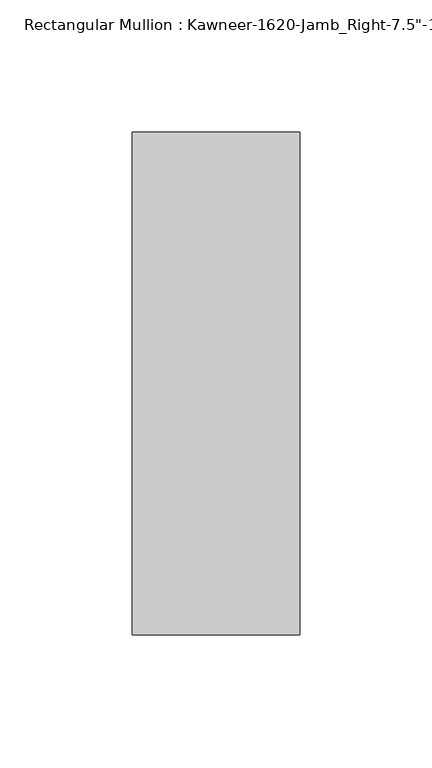
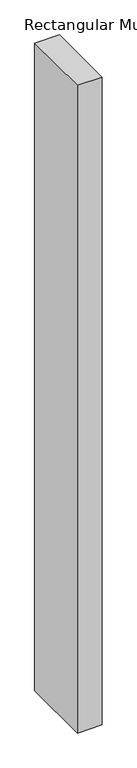
"""IFC4 building model written with IfcOpenShell, lengths in millimetres: member geometry."""

from ifc_helpers import new_model, si_unit, frame, origin, place, context, project, spatial, polyline, outline, extrude, source, transform, mapped, element, save


def member_b4b6784c(model_context):
    return source(origin(), model_context, "Body", "SweptSolid", [
        extrude(outline(polyline([(-22.225, 28.575), (41.275, 28.575), (41.275, -161.925), (-22.225, -161.925), (-22.225, 28.575)])), frame((0.0, 0.0, -1765.3), z_axis=(0.0, 0.0, 1.0), x_axis=(1.0, 0.0, 0.0)), (0.0, 0.0, 1.0), 1765.3),
    ])


if __name__ == "__main__":
    model = new_model("IFC4")
    model_context = context("Model", 3, world=origin())
    ifc_project = project(units=[si_unit("LENGTHUNIT", "METRE", prefix="MILLI")], contexts=[model_context])
    site = spatial("IfcSite", under=ifc_project)
    building = spatial("IfcBuilding", under=site)
    placement = place(None, origin())
    member_shape = member_b4b6784c(model_context)
    element("IfcMember", 1, ObjectType="Rectangular Mullion : Kawneer-1620-Jamb_Right-7.5\"-1/4\"Infill", at=placement, inside=building, context=model_context, shape_type="MappedRepresentation", body=[
        mapped(member_shape, transform((0.0, 0.0, 0.0), x_axis=(1.0, 0.0, 0.0), y_axis=(0.0, 1.0, 0.0), z_axis=(0.0, 0.0, 1.0))),
    ])
    save(model, "model.ifc")
